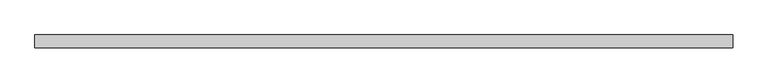
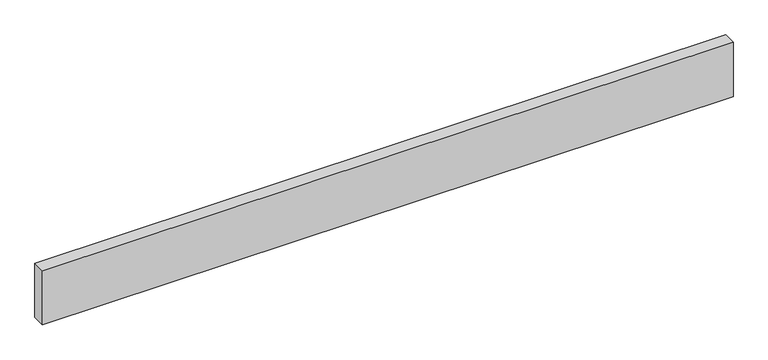
"""IFC4 building model written with IfcOpenShell, lengths in millimetres: beam geometry."""

from ifc_helpers import new_model, si_unit, frame, origin, place, context, project, spatial, polyline, outline, extrude, source, transform, mapped, element, save


def beam_17aca2fb(model_context):
    return source(origin(), model_context, "Body", "SweptSolid", [
        extrude(outline(polyline([(-1204.627304, 22.5), (1204.627304, 22.5), (1204.627304, -22.5), (-1204.627304, -22.5), (-1204.627304, 22.5)])), frame((0.0, 0.0, -100.0), z_axis=(0.0, 0.0, 1.0), x_axis=(1.0, 0.0, 0.0)), (0.0, 0.0, 1.0), 200.0),
    ])


if __name__ == "__main__":
    model = new_model("IFC4")
    model_context = context("Model", 3, world=origin())
    ifc_project = project(units=[si_unit("LENGTHUNIT", "METRE", prefix="MILLI")], contexts=[model_context])
    site = spatial("IfcSite", under=ifc_project)
    building = spatial("IfcBuilding", under=site)
    placement = place(None, origin())
    beam_shape = beam_17aca2fb(model_context)
    element("IfcBeam", 1, at=placement, inside=building, context=model_context, shape_type="MappedRepresentation", body=[
        mapped(beam_shape, transform((0.0, 0.0, 0.0), x_axis=(1.0, 0.0, 0.0), y_axis=(0.0, 1.0, 0.0), z_axis=(0.0, 0.0, 1.0))),
    ])
    save(model, "model.ifc")
